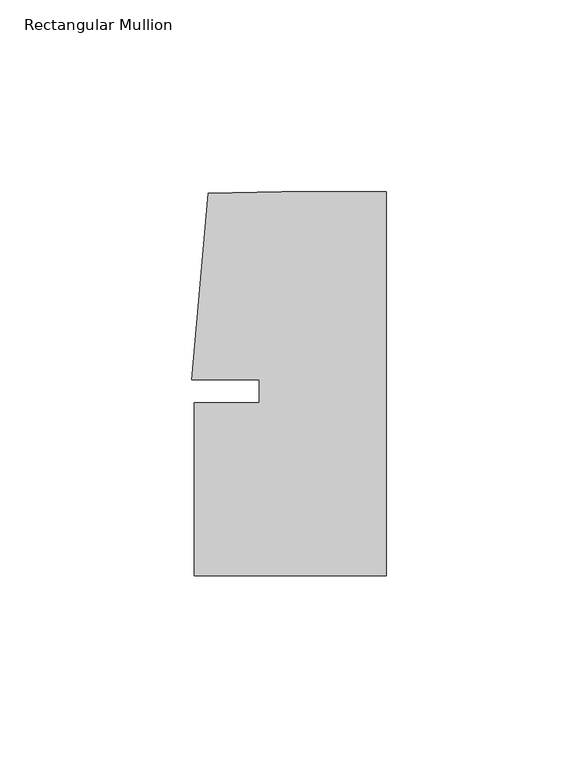
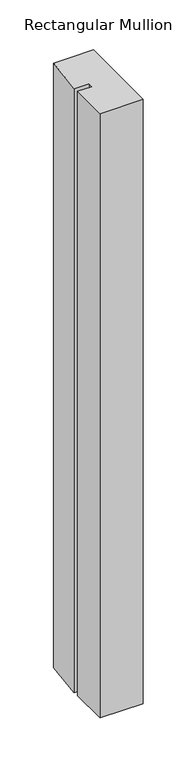
"""IFC4 building model written with IfcOpenShell, lengths in millimetres: member geometry, Rectangular Mullion."""

from ifc_helpers import new_model, si_unit, frame, origin, place, context, project, spatial, polyline, outline, extrude, source, transform, mapped, element, save


def rectangular_mullion_572dc8c7(model_context):
    return source(origin(), model_context, "Body", "SweptSolid", [
        extrude(outline(polyline([(-33.0004671, -3.0000287), (-33.0004665, 2.9999885), (-50.6129097, 2.9999903), (-46.3623019, 51.5846059), (-27.2554335, 51.9999707), (0.0, 51.999968), (-9.8e-06, -48.0000271), (-50.0000098, -48.0000271), (-50.0000054, -3.0000271), (-33.0004671, -3.0000287)])), frame((0.0, 0.0, -739.9999703), z_axis=(0.0, 0.0, 1.0), x_axis=(1.0, 0.0, 0.0)), (0.0, 0.0, 1.0), 739.9999703),
    ])


if __name__ == "__main__":
    model = new_model("IFC4")
    model_context = context("Model", 3, world=origin())
    ifc_project = project(units=[si_unit("LENGTHUNIT", "METRE", prefix="MILLI")], contexts=[model_context])
    site = spatial("IfcSite", under=ifc_project)
    building = spatial("IfcBuilding", under=site)
    placement = place(None, origin())
    rectangular_mullion_shape = rectangular_mullion_572dc8c7(model_context)
    element("IfcMember", 1, ObjectType="Rectangular Mullion", at=placement, inside=building, context=model_context, shape_type="MappedRepresentation", body=[
        mapped(rectangular_mullion_shape, transform((0.0, 0.0, 0.0), x_axis=(1.0, 0.0, 0.0), y_axis=(0.0, 1.0, 0.0), z_axis=(0.0, 0.0, 1.0))),
    ])
    save(model, "model.ifc")
